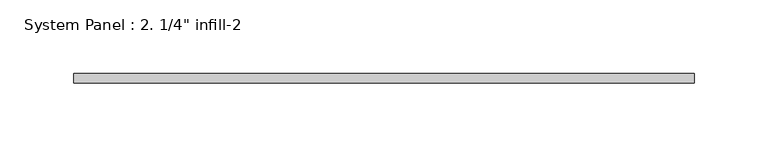
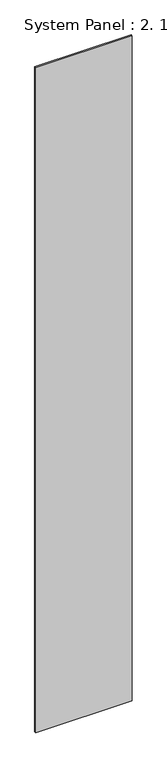
"""IFC4 building model written with IfcOpenShell, lengths in millimetres: plate geometry."""

from ifc_helpers import new_model, si_unit, origin, origin_with_axes, place, context, project, spatial, polyline, outline, extrude, source, transform, mapped, element, save


def plate_3c068042(model_context):
    return source(origin(), model_context, "Body", "SweptSolid", [
        extrude(outline(polyline([(209.55, -6.35), (-209.55, -6.35), (-209.55, 0.0), (209.55, 0.0), (209.55, -6.35)])), origin_with_axes(), (0.0, 0.0, 1.0), 3048.0),
    ])


if __name__ == "__main__":
    model = new_model("IFC4")
    model_context = context("Model", 3, world=origin())
    ifc_project = project(units=[si_unit("LENGTHUNIT", "METRE", prefix="MILLI")], contexts=[model_context])
    site = spatial("IfcSite", under=ifc_project)
    building = spatial("IfcBuilding", under=site)
    placement = place(None, origin())
    plate_shape = plate_3c068042(model_context)
    element("IfcPlate", 1, ObjectType="System Panel : 2. 1/4\" infill-2", at=placement, inside=building, context=model_context, shape_type="MappedRepresentation", body=[
        mapped(plate_shape, transform((0.0, 0.0, 0.0), x_axis=(1.0, 0.0, 0.0), y_axis=(0.0, 1.0, 0.0), z_axis=(0.0, 0.0, 1.0))),
    ])
    save(model, "model.ifc")
